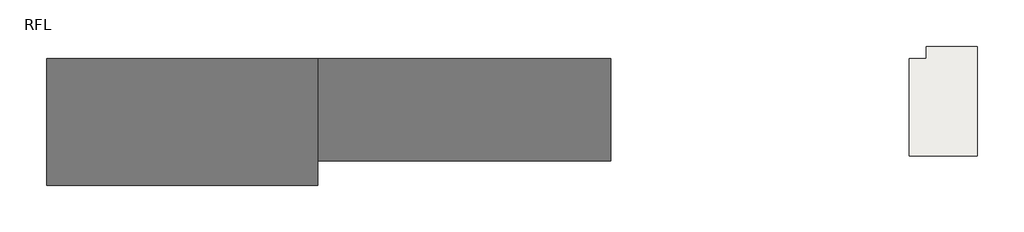
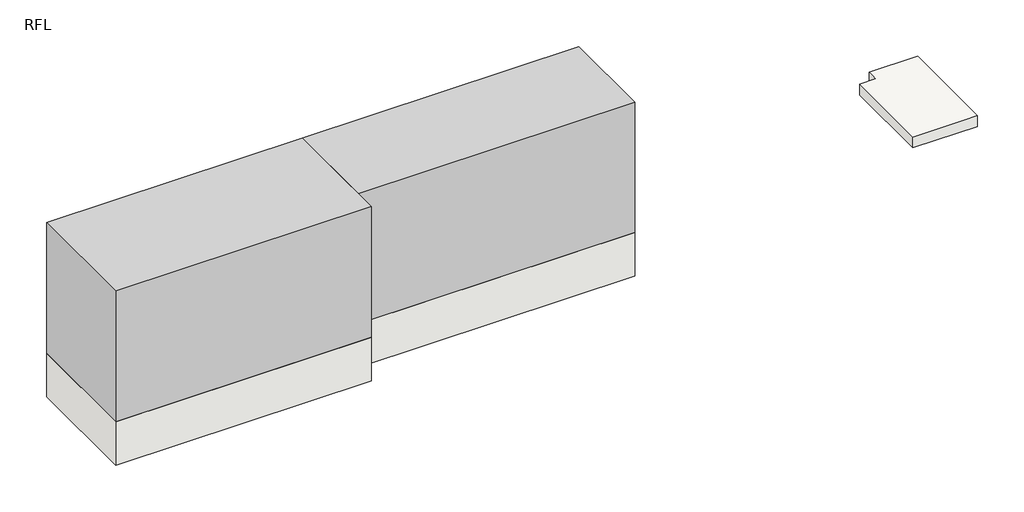
# One storey: 3 slabs, 2 proxies.
"""IFC4 building model written with IfcOpenShell, lengths in millimetres."""

from ifc_helpers import new_model, si_unit, frame, origin, place, context, project, spatial, polyline, outline, extrude, element, save

model = new_model("IFC4")

# Units and contexts
model_context = context("Model", 3, world=origin())
ifc_project = project(units=[si_unit("LENGTHUNIT", "METRE", prefix="MILLI")], contexts=[model_context])

# Site, building, storey
site = spatial("IfcSite", under=ifc_project)
building = spatial("IfcBuilding", under=site)
storey = spatial("IfcBuildingStorey", under=building, Name="RFL", Elevation=32600.0)

# Proxies
placement = place(None, origin())
element("IfcBuildingElementProxy", 1, Name="Mass", at=placement, inside=storey, context=model_context, shape_type="SweptSolid", body=[
    extrude(outline(polyline([(-15395.9784025, 15749.6868987), (-15395.9784025, 13149.6868987), (-20945.9784025, 13149.6868987), (-20945.9784025, 15749.6868987), (-15395.9784025, 15749.6868987)])), frame((0.0, 0.0, 32600.0), z_axis=(0.0, 0.0, 1.0), x_axis=(1.0, 0.0, 0.0)), (0.0, 0.0, 1.0), 3000.0),
])
element("IfcBuildingElementProxy", 2, Name="Mass", at=placement, inside=storey, context=model_context, shape_type="SweptSolid", body=[
    extrude(outline(polyline([(-9395.9784025, 15749.6868987), (-9395.9784025, 13649.6868987), (-15395.9784025, 13649.6868987), (-15395.9784025, 15749.6868987), (-9395.9784025, 15749.6868987)])), frame((0.0, 0.0, 32600.0), z_axis=(0.0, 0.0, 1.0), x_axis=(1.0, 0.0, 0.0)), (0.0, 0.0, 1.0), 3000.0),
])

# Slabs
element("IfcSlab", 3, at=placement, inside=storey, context=model_context, shape_type="SweptSolid", body=[
    extrude(outline(polyline([(-15395.9784025, 15749.6868987), (-15395.9784025, 13149.6868987), (-20945.9784025, 13149.6868987), (-20945.9784025, 15749.6868987), (-15395.9784025, 15749.6868987)])), frame((0.0, 0.0, 31600.0), z_axis=(0.0, 0.0, 1.0), x_axis=(1.0, 0.0, 0.0)), (0.0, 0.0, 1.0), 1000.0),
])
element("IfcSlab", 4, at=placement, inside=storey, context=model_context, shape_type="SweptSolid", body=[
    extrude(outline(polyline([(-9395.9784025, 15749.6868987), (-9395.9784025, 13649.6868987), (-15395.9784025, 13649.6868987), (-15395.9784025, 15749.6868987), (-9395.9784025, 15749.6868987)])), frame((0.0, 0.0, 31600.0), z_axis=(0.0, 0.0, 1.0), x_axis=(1.0, 0.0, 0.0)), (0.0, 0.0, 1.0), 1000.0),
])
element("IfcSlab", 5, ObjectType="RC250", at=placement, inside=storey, context=model_context, shape_type="SweptSolid", body=[
    extrude(outline(polyline([(-2945.9784025, 15999.6868987), (-1895.9784025, 15999.6868987), (-1895.9784025, 13749.6868987), (-3295.9784025, 13749.6868987), (-3295.9784025, 15749.6868987), (-2945.9784025, 15749.6868987), (-2945.9784025, 15999.6868987)])), frame((0.0, 0.0, 32350.0), z_axis=(0.0, 0.0, 1.0), x_axis=(1.0, 0.0, 0.0)), (0.0, 0.0, 1.0), 250.0),
])

save(model, "model.ifc")
